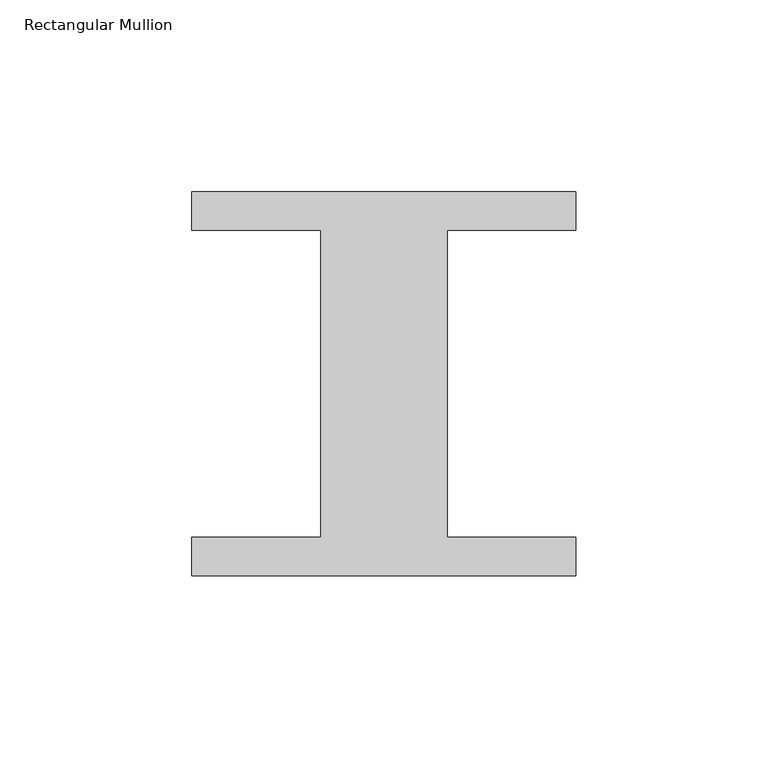
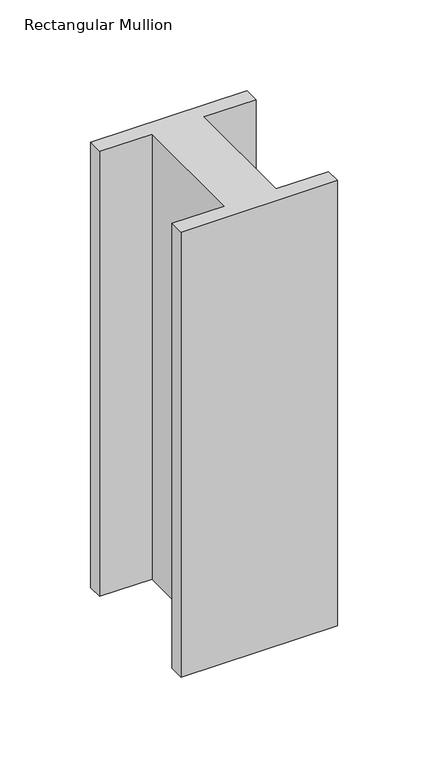
"""IFC4 building model written with IfcOpenShell, lengths in millimetres: member geometry, Rectangular Mullion."""

from ifc_helpers import new_model, si_unit, frame, origin, place, context, project, spatial, polyline, outline, extrude, source, transform, mapped, element, save


def rectangular_mullion_cef7ea00(model_context):
    return source(origin(), model_context, "Body", "SweptSolid", [
        extrude(outline(polyline([(-50.0, 50.0), (50.0, 50.0), (50.0, 40.0), (16.4715162, 40.0), (16.4715162, -40.0), (50.0, -40.0), (50.0, -50.0), (-50.0, -50.0), (-50.0, -40.0), (-16.4505098, -40.0), (-16.4505098, 40.0), (-50.0, 40.0), (-50.0, 50.0)])), frame((0.0, 0.0, -300.0), z_axis=(0.0, 0.0, 1.0), x_axis=(1.0, 0.0, 0.0)), (0.0, 0.0, 1.0), 300.0),
    ])


if __name__ == "__main__":
    model = new_model("IFC4")
    model_context = context("Model", 3, world=origin())
    ifc_project = project(units=[si_unit("LENGTHUNIT", "METRE", prefix="MILLI")], contexts=[model_context])
    site = spatial("IfcSite", under=ifc_project)
    building = spatial("IfcBuilding", under=site)
    placement = place(None, origin())
    rectangular_mullion_shape = rectangular_mullion_cef7ea00(model_context)
    element("IfcMember", 1, ObjectType="Rectangular Mullion", at=placement, inside=building, context=model_context, shape_type="MappedRepresentation", body=[
        mapped(rectangular_mullion_shape, transform((0.0, 0.0, 0.0), x_axis=(1.0, 0.0, 0.0), y_axis=(0.0, 1.0, 0.0), z_axis=(0.0, 0.0, 1.0))),
    ])
    save(model, "model.ifc")
